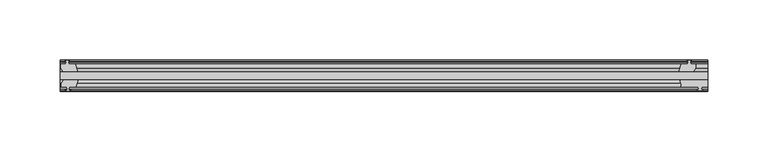
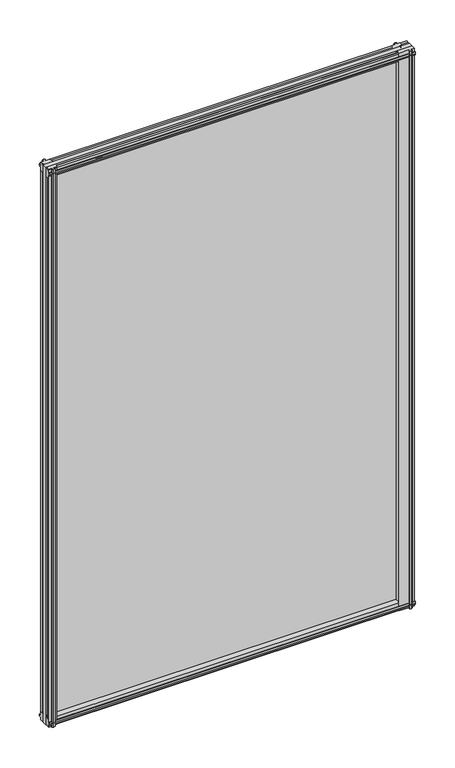
"""IFC4 building model written with IfcOpenShell, lengths in millimetres: plate geometry."""

from ifc_helpers import new_model, si_unit, point, frame, frame_2d, origin, place, context, project, spatial, polyline, circle_curve, trimmed, segment, composite_curve, outline, extrude, source, transform, mapped, element, save


def plate_6d0226f8(model_context):
    return source(origin(), model_context, "Body", "SweptSolid", [
        extrude(outline(polyline([(-263.525, -19.5460937), (273.05, -19.5460937), (273.05, -25.8960937), (-263.525, -25.8960937), (-263.525, -19.5460937)])), frame((0.0, 0.0, -12.7), z_axis=(0.0, 0.0, 1.0), x_axis=(1.0, 0.0, 0.0)), (0.0, 0.0, 1.0), 863.6),
        extrude(outline(composite_curve([segment(polyline([(273.0542854, -32.2460938), (267.9742854, -32.2460938), (267.6567854, -34.3506957), (268.8753913, -34.0241712), (269.0791854, -34.7847412), (266.7042854, -35.4210938), (264.3293854, -34.7847412), (264.5331795, -34.0241712), (265.7517854, -34.3506957), (265.4342854, -32.2460938), (250.825, -32.2460938)]), True, "CONTINUOUS"), segment(trimmed(circle_curve(frame_2d((241.943449, -30.5054843)), 9.0505066), [point((250.825, -32.2460938))], [point((249.7322351, -25.8960937))], True, "CARTESIAN"), True, "CONTINUOUS"), segment(polyline([(249.7322351, -25.8960937), (273.0542854, -25.8960937), (273.0542854, -32.2460938)]), True, "CONTINUOUS")], self_intersect=False)), frame((0.0, 0.0, -12.7), z_axis=(0.0, 0.0, 1.0), x_axis=(1.0, 0.0, 0.0)), (0.0, 0.0, 1.0), 863.6),
        extrude(outline(polyline([(255.5181709, -10.4746158), (257.6957, -9.7670938), (259.873229, -10.4746158), (259.873229, -11.27583), (258.4577, -10.8158968), (258.8387, -13.1960938), (263.2837, -13.1960938), (263.2837, -16.1424938), (261.0710038, -19.5460937), (249.2404229, -19.5460937), (251.3457, -13.1960938), (256.5527, -13.1960938), (256.9337, -10.8158968), (255.5181709, -11.27583), (255.5181709, -10.4746158)])), frame((0.0, 0.0, -12.7), z_axis=(0.0, 0.0, 1.0), x_axis=(1.0, 0.0, 0.0)), (0.0, 0.0, 1.0), 863.6),
        extrude(outline(polyline([(-248.7197229, -25.8960937), (-250.825, -32.2460937), (-256.032, -32.2460937), (-256.413, -34.6262907), (-254.9974709, -34.1663575), (-254.9974709, -34.9675717), (-257.175, -35.6750937), (-259.352529, -34.9675717), (-259.352529, -34.1663575), (-257.937, -34.6262907), (-258.318, -32.2460937), (-262.763, -32.2460937), (-262.763, -29.2996937), (-260.5503038, -25.8960937), (-248.7197229, -25.8960937)])), frame((0.0, 0.0, -12.7), z_axis=(0.0, 0.0, 1.0), x_axis=(1.0, 0.0, 0.0)), (0.0, 0.0, 1.0), 863.6),
        extrude(outline(polyline([(-258.4577, -10.8158968), (-259.873229, -11.27583), (-259.873229, -10.4746158), (-257.6957, -9.7670937), (-255.5181709, -10.4746158), (-255.5181709, -11.27583), (-256.9337, -10.8158968), (-256.5527, -13.1960937), (-251.3457, -13.1960937), (-249.2404229, -19.5460937), (-261.0710038, -19.5460937), (-263.2837, -16.1424937), (-263.2837, -13.1960937), (-258.8387, -13.1960937), (-258.4577, -10.8158968)])), frame((0.0, 0.0, -12.7), z_axis=(0.0, 0.0, 1.0), x_axis=(1.0, 0.0, 0.0)), (0.0, 0.0, 1.0), 863.6),
        extrude(outline(polyline([(-13.1960937, 850.6587), (-13.1960937, 846.2137), (-10.8158968, 845.8327), (-11.27583, 847.248229), (-10.4746158, 847.248229), (-9.7670937, 845.0707), (-10.4746158, 842.8931709), (-11.27583, 842.8931709), (-10.8158968, 844.3087), (-13.1960937, 843.9277), (-13.1960937, 838.7207), (-19.5460937, 836.6154229), (-19.5460937, 848.4460038), (-16.1424937, 850.6587), (-13.1960937, 850.6587)])), frame((-263.525, 0.0, 0.0), z_axis=(1.0, 0.0, 0.0), x_axis=(0.0, 1.0, 0.0)), (0.0, 0.0, 1.0), 536.575),
        extrude(outline(polyline([(-29.2996937, 850.138), (-25.8960937, 847.9253038), (-25.8960937, 836.0947229), (-32.2460937, 838.2), (-32.2460937, 843.407), (-34.6262907, 843.788), (-34.1663575, 842.3724709), (-34.9675717, 842.3724709), (-35.6750937, 844.55), (-34.9675717, 846.7275291), (-34.1663575, 846.7275291), (-34.6262907, 845.312), (-32.2460937, 845.693), (-32.2460937, 850.138), (-29.2996937, 850.138)])), frame((-263.525, 0.0, 0.0), z_axis=(1.0, 0.0, 0.0), x_axis=(0.0, 1.0, 0.0)), (0.0, 0.0, 1.0), 536.575),
        extrude(outline(polyline([(-25.8960937, 2.1052771), (-25.8960937, -9.7253038), (-29.2996937, -11.938), (-32.2460937, -11.938), (-32.2460937, -7.493), (-34.6262907, -7.112), (-34.1663575, -8.5275291), (-34.9675717, -8.5275291), (-35.6750937, -6.35), (-34.9675717, -4.1724709), (-34.1663575, -4.1724709), (-34.6262907, -5.588), (-32.2460937, -5.207), (-32.2460937, 0.0), (-25.8960937, 2.1052771)])), frame((-263.525, 0.0, 0.0), z_axis=(1.0, 0.0, 0.0), x_axis=(0.0, 1.0, 0.0)), (0.0, 0.0, 1.0), 536.575),
        extrude(outline(polyline([(-19.5460937, 1.5845771), (-13.1960937, -0.5207), (-13.1960937, -5.7277), (-10.8158968, -6.1087), (-11.27583, -4.6931709), (-10.4746158, -4.6931709), (-9.7670937, -6.8707), (-10.4746158, -9.048229), (-11.27583, -9.048229), (-10.8158968, -7.6327), (-13.1960937, -8.0137), (-13.1960937, -12.4587), (-16.1424937, -12.4587), (-19.5460937, -10.2460038), (-19.5460937, 1.5845771)])), frame((-263.525, 0.0, 0.0), z_axis=(1.0, 0.0, 0.0), x_axis=(0.0, 1.0, 0.0)), (0.0, 0.0, 1.0), 536.575),
    ])


if __name__ == "__main__":
    model = new_model("IFC4")
    model_context = context("Model", 3, world=origin())
    ifc_project = project(units=[si_unit("LENGTHUNIT", "METRE", prefix="MILLI")], contexts=[model_context])
    site = spatial("IfcSite", under=ifc_project)
    building = spatial("IfcBuilding", under=site)
    placement = place(None, origin())
    plate_shape = plate_6d0226f8(model_context)
    element("IfcPlate", 1, at=placement, inside=building, context=model_context, shape_type="MappedRepresentation", body=[
        mapped(plate_shape, transform((0.0, 0.0, 0.0), x_axis=(1.0, 0.0, 0.0), y_axis=(0.0, 1.0, 0.0), z_axis=(0.0, 0.0, 1.0))),
    ])
    save(model, "model.ifc")
